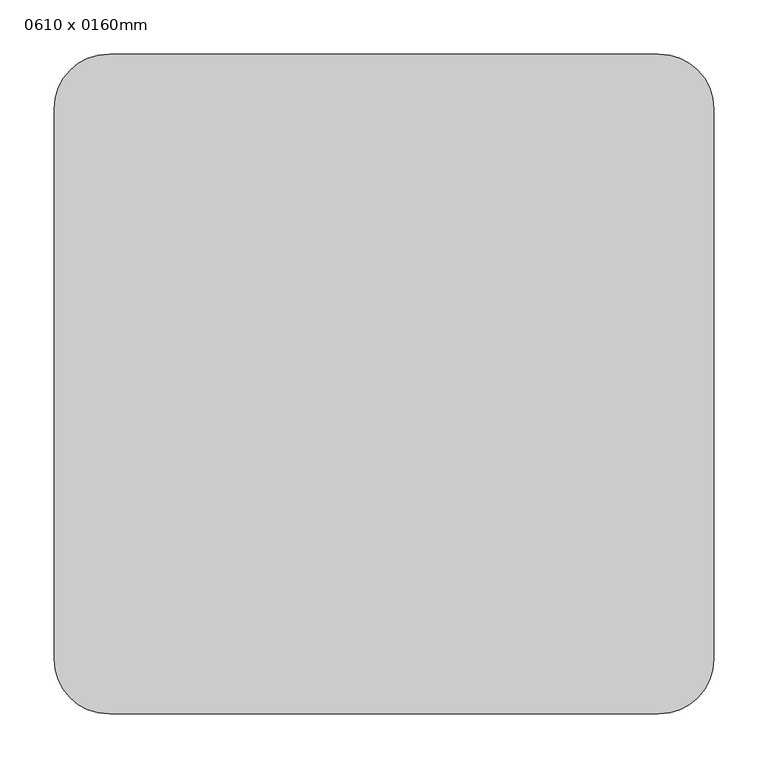
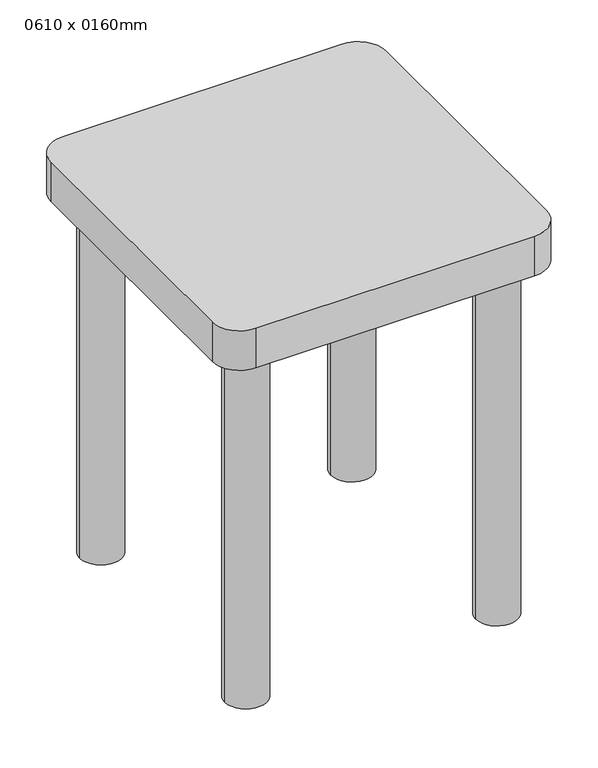
"""IFC4 building model written with IfcOpenShell, lengths in millimetres: furniture geometry, 0610 x 0160mm."""

from ifc_helpers import new_model, si_unit, point, frame, frame_2d, origin, origin_with_axes, place, context, project, spatial, polyline, circle_curve, trimmed, segment, composite_curve, outline, extrude, source, transform, mapped, element, save


def furniture_0610_x_0160mm_e0e5b28f(model_context):
    return source(origin(), model_context, "Body", "SweptSolid", [
        extrude(outline(composite_curve([segment(polyline([(562.9336303, -152.6), (54.5336303, -152.6)]), True, "CONTINUOUS"), segment(trimmed(circle_curve(frame_2d((54.5336303, -101.8)), 50.8), [point((54.5336303, -152.6))], [point((3.7336303, -101.8))], False, "CARTESIAN"), True, "CONTINUOUS"), segment(polyline([(3.7336303, -101.8), (3.7336303, 406.6)]), True, "CONTINUOUS"), segment(trimmed(circle_curve(frame_2d((54.5336303, 406.6)), 50.8), [point((3.7336303, 406.6))], [point((54.5336303, 457.4))], False, "CARTESIAN"), True, "CONTINUOUS"), segment(polyline([(54.5336303, 457.4), (562.9336303, 457.4)]), True, "CONTINUOUS"), segment(trimmed(circle_curve(frame_2d((562.9336303, 406.6)), 50.8), [point((562.9336303, 457.4))], [point((613.7336303, 406.6))], False, "CARTESIAN"), True, "CONTINUOUS"), segment(polyline([(613.7336303, 406.6), (613.7336303, -101.8)]), True, "CONTINUOUS"), segment(trimmed(circle_curve(frame_2d((562.9336303, -101.8)), 50.8), [point((613.7336303, -101.8))], [point((562.9336303, -152.6))], False, "CARTESIAN"), True, "CONTINUOUS")], self_intersect=False)), frame((0.0, 0.0, 685.8), z_axis=(0.0, 0.0, 1.0), x_axis=(1.0, 0.0, 0.0)), (0.0, 0.0, 1.0), 76.2),
        extrude(outline(composite_curve([segment(trimmed(circle_curve(frame_2d((79.9336303, 381.2)), 38.1), [point((41.8336303, 381.2))], [point((118.0336303, 381.2))], False, "CARTESIAN"), True, "CONTINUOUS"), segment(trimmed(circle_curve(frame_2d((79.9336303, 381.2)), 38.1), [point((118.0336303, 381.2))], [point((41.8336303, 381.2))], False, "CARTESIAN"), True, "CONTINUOUS")], self_intersect=False)), origin_with_axes(), (0.0, 0.0, 1.0), 685.8),
        extrude(outline(composite_curve([segment(trimmed(circle_curve(frame_2d((79.9336303, -76.4)), 38.1), [point((41.8336303, -76.4))], [point((118.0336303, -76.4))], False, "CARTESIAN"), True, "CONTINUOUS"), segment(trimmed(circle_curve(frame_2d((79.9336303, -76.4)), 38.1), [point((118.0336303, -76.4))], [point((41.8336303, -76.4))], False, "CARTESIAN"), True, "CONTINUOUS")], self_intersect=False)), origin_with_axes(), (0.0, 0.0, 1.0), 685.8),
        extrude(outline(composite_curve([segment(trimmed(circle_curve(frame_2d((537.5336303, -76.4)), 38.1), [point((499.4336303, -76.4))], [point((575.6336303, -76.4))], False, "CARTESIAN"), True, "CONTINUOUS"), segment(trimmed(circle_curve(frame_2d((537.5336303, -76.4)), 38.1), [point((575.6336303, -76.4))], [point((499.4336303, -76.4))], False, "CARTESIAN"), True, "CONTINUOUS")], self_intersect=False)), origin_with_axes(), (0.0, 0.0, 1.0), 685.8),
        extrude(outline(composite_curve([segment(trimmed(circle_curve(frame_2d((537.5336303, 381.2)), 38.1), [point((499.4336303, 381.2))], [point((575.6336303, 381.2))], False, "CARTESIAN"), True, "CONTINUOUS"), segment(trimmed(circle_curve(frame_2d((537.5336303, 381.2)), 38.1), [point((575.6336303, 381.2))], [point((499.4336303, 381.2))], False, "CARTESIAN"), True, "CONTINUOUS")], self_intersect=False)), origin_with_axes(), (0.0, 0.0, 1.0), 685.8),
    ])


if __name__ == "__main__":
    model = new_model("IFC4")
    model_context = context("Model", 3, world=origin())
    ifc_project = project(units=[si_unit("LENGTHUNIT", "METRE", prefix="MILLI")], contexts=[model_context])
    site = spatial("IfcSite", under=ifc_project)
    building = spatial("IfcBuilding", under=site)
    placement = place(None, origin())
    furniture_0610_x_0160mm_shape = furniture_0610_x_0160mm_e0e5b28f(model_context)
    element("IfcFurniture", 1, ObjectType="0610 x 0160mm", at=placement, inside=building, context=model_context, shape_type="MappedRepresentation", body=[
        mapped(furniture_0610_x_0160mm_shape, transform((0.0, 0.0, 0.0), x_axis=(1.0, 0.0, 0.0), y_axis=(0.0, 1.0, 0.0), z_axis=(0.0, 0.0, 1.0))),
    ])
    save(model, "model.ifc")
